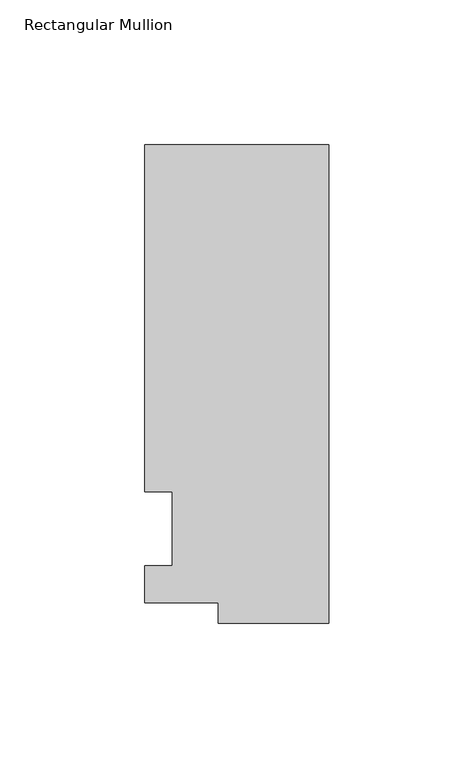
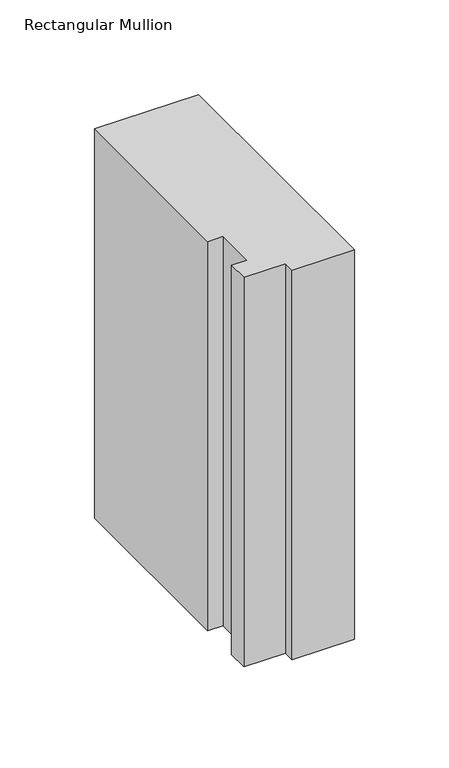
"""IFC4 building model written with IfcOpenShell, lengths in millimetres: member geometry, Rectangular Mullion."""

from ifc_helpers import new_model, si_unit, frame, origin, place, context, project, spatial, polyline, outline, extrude, source, transform, mapped, element, save


def rectangular_mullion_abdeb7e3(model_context):
    return source(origin(), model_context, "Body", "SweptSolid", [
        extrude(outline(polyline([(-38.1, -32.54375), (-38.1, -25.58415), (-63.5, -25.58415), (-63.5, -12.7), (-53.975, -12.7), (-53.975, 12.7), (-63.5, 12.7), (-63.5, 132.55625), (0.0, 132.55625), (0.0, -32.54375), (-38.1, -32.54375)])), frame((0.0, 0.0, -251.466413), z_axis=(0.0, 0.0, 1.0), x_axis=(1.0, 0.0, 0.0)), (0.0, 0.0, 1.0), 251.466413),
    ])


if __name__ == "__main__":
    model = new_model("IFC4")
    model_context = context("Model", 3, world=origin())
    ifc_project = project(units=[si_unit("LENGTHUNIT", "METRE", prefix="MILLI")], contexts=[model_context])
    site = spatial("IfcSite", under=ifc_project)
    building = spatial("IfcBuilding", under=site)
    placement = place(None, origin())
    rectangular_mullion_shape = rectangular_mullion_abdeb7e3(model_context)
    element("IfcMember", 1, ObjectType="Rectangular Mullion", at=placement, inside=building, context=model_context, shape_type="MappedRepresentation", body=[
        mapped(rectangular_mullion_shape, transform((0.0, 0.0, 0.0), x_axis=(1.0, 0.0, 0.0), y_axis=(0.0, 1.0, 0.0), z_axis=(0.0, 0.0, 1.0))),
    ])
    save(model, "model.ifc")
